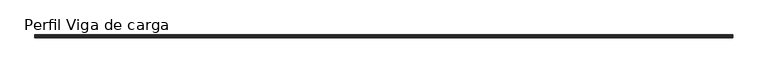
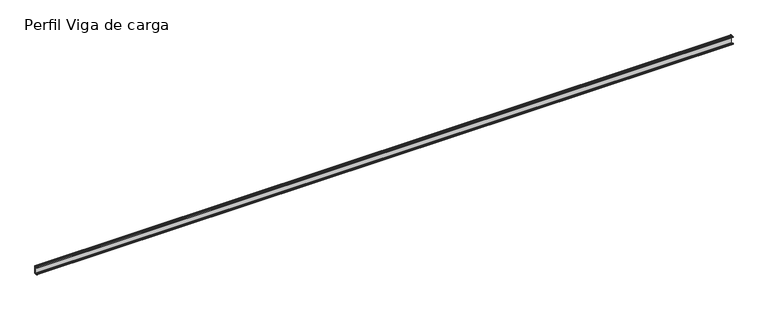
"""IFC4 building model written with IfcOpenShell, lengths in millimetres: proxy geometry, Perfil Viga de carga."""

from ifc_helpers import new_model, si_unit, point, frame, frame_2d, origin, place, context, project, spatial, polyline, circle_curve, trimmed, segment, composite_curve, outline, extrude, source, transform, mapped, element, save


def perfil_viga_de_carga_8ffb67e8(model_context):
    return source(origin(), model_context, "Body", "SweptSolid", [
        extrude(outline(composite_curve([segment(polyline([(-8.5, -11.7), (-7.5, -11.7), (-7.5, -16.0), (-3.8807738, -16.0), (-2.8333333, -15.5661359), (-1.7858928, -16.0), (1.7858928, -16.0), (2.8333333, -15.5661359), (3.8807738, -16.0), (7.5, -16.0), (7.5, 29.0), (3.8807738, 29.0), (2.8333333, 28.5661359), (1.7858928, 29.0), (-1.7858928, 29.0), (-2.8333333, 28.5661359), (-3.8807738, 29.0), (-7.5, 29.0), (-7.5, 24.7), (-8.5, 24.7), (-8.5, 28.8)]), True, "CONTINUOUS"), segment(trimmed(circle_curve(frame_2d((-7.3, 28.8)), 1.2), [point((-8.5, 28.8))], [point((-7.3, 30.0))], False, "CARTESIAN"), True, "CONTINUOUS"), segment(polyline([(-7.3, 30.0), (-3.8807738, 30.0), (-2.8333333, 29.5661359), (-1.7858928, 30.0), (1.7858928, 30.0), (2.8333333, 29.5661359), (3.8807738, 30.0), (7.3, 30.0)]), True, "CONTINUOUS"), segment(trimmed(circle_curve(frame_2d((7.3, 28.8)), 1.2), [point((7.3, 30.0))], [point((8.5, 28.8))], False, "CARTESIAN"), True, "CONTINUOUS"), segment(polyline([(8.5, 28.8), (8.5, -15.8)]), True, "CONTINUOUS"), segment(trimmed(circle_curve(frame_2d((7.3, -15.8)), 1.2), [point((8.5, -15.8))], [point((7.3, -17.0))], False, "CARTESIAN"), True, "CONTINUOUS"), segment(polyline([(7.3, -17.0), (3.8807738, -17.0), (2.8333333, -16.5661359), (1.7858928, -17.0), (-1.7858928, -17.0), (-2.8333333, -16.5661359), (-3.8807738, -17.0), (-7.3, -17.0)]), True, "CONTINUOUS"), segment(trimmed(circle_curve(frame_2d((-7.3, -15.8)), 1.2), [point((-7.3, -17.0))], [point((-8.5, -15.8))], False, "CARTESIAN"), True, "CONTINUOUS"), segment(polyline([(-8.5, -15.8), (-8.5, -11.7)]), True, "CONTINUOUS")], self_intersect=False)), frame((0.0, 0.0, 0.0), z_axis=(1.0, 0.0, 0.0), x_axis=(0.0, 1.0, 0.0)), (0.0, 0.0, 1.0), 4000.0),
    ])


if __name__ == "__main__":
    model = new_model("IFC4")
    model_context = context("Model", 3, world=origin())
    ifc_project = project(units=[si_unit("LENGTHUNIT", "METRE", prefix="MILLI")], contexts=[model_context])
    site = spatial("IfcSite", under=ifc_project)
    building = spatial("IfcBuilding", under=site)
    placement = place(None, origin())
    perfil_viga_de_carga_shape = perfil_viga_de_carga_8ffb67e8(model_context)
    element("IfcBuildingElementProxy", 1, Name="Perfil Viga de carga", ObjectType="Perfil Viga de carga", at=placement, inside=building, context=model_context, shape_type="MappedRepresentation", body=[
        mapped(perfil_viga_de_carga_shape, transform((0.0, 0.0, 0.0), x_axis=(1.0, 0.0, 0.0), y_axis=(0.0, 1.0, 0.0), z_axis=(0.0, 0.0, 1.0))),
    ])
    save(model, "model.ifc")
